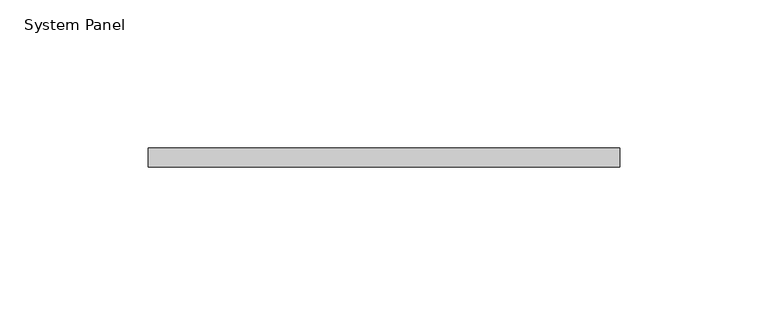
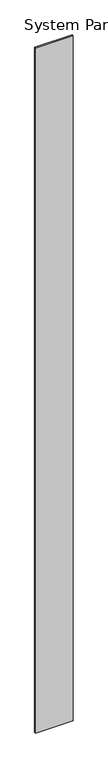
"""IFC4 building model written with IfcOpenShell, lengths in millimetres: plate geometry, System Panel."""

import ifcopenshell
import ifcopenshell.guid

model = None  # the IFC model being written
_history = None  # IfcOwnerHistory: only IFC2X3 demands one
_inside = {}  # id of a spatial element -> (the spatial element, [elements in it])
_under = {}  # id of a project, library or spatial element -> (it, [spatial elements below it])
_declared = {}  # id of a project -> (the project, [libraries it declares])
_typed = {}  # id of a type object -> (the type object, [elements of that type])
_made_of = {}  # id of a material, layer set ... -> (it, [elements and type objects made of it])


def new_model(schema):
    """Start an empty IFC model of exactly this schema.

    Asked for "IFC4X3", IfcOpenShell would pick the latest addendum, in which some entities
    have other attributes; the version numbers below select the first issue.
    IFC2X3 requires an IfcOwnerHistory on every rooted entity: one is made here for all.
    """
    global model, _history
    if schema == "IFC4X3":
        model = ifcopenshell.file(schema_version=(4, 3, 0, 0))
    else:
        model = ifcopenshell.file(schema=schema)
    _inside.clear()
    _under.clear()
    _declared.clear()
    _typed.clear()
    _made_of.clear()
    _history = None
    if model.schema == "IFC2X3":
        org = make("IfcOrganization", Name="unknown")
        user = make(
            "IfcPersonAndOrganization",
            ThePerson=make("IfcPerson", FamilyName="unknown"),
            TheOrganization=org,
        )
        app = make(
            "IfcApplication",
            ApplicationDeveloper=org,
            Version="unknown",
            ApplicationFullName="unknown",
            ApplicationIdentifier="unknown",
        )
        _history = make(
            "IfcOwnerHistory",
            OwningUser=user,
            OwningApplication=app,
            ChangeAction="ADDED",
            CreationDate=0,
        )
    return model


def make(cls, **values):
    """One entity of the class cls with the attributes given. An attribute that is None is left unset."""
    return model.create_entity(
        cls, **{name: value for name, value in values.items() if value is not None}
    )


def rooted(cls, **values):
    """An entity with a GlobalId (a new one), such as an element, a storey or a relation."""
    return make(cls, GlobalId=ifcopenshell.guid.new(), OwnerHistory=_history, **values)


def si_unit(unit_type, name, prefix=None):
    """IfcSIUnit, for example si_unit("LENGTHUNIT", "METRE", prefix="MILLI")."""
    return make("IfcSIUnit", UnitType=unit_type, Prefix=prefix, Name=name)


def assignment(units):
    """IfcUnitAssignment: the units of a project."""
    return None if units is None else make("IfcUnitAssignment", Units=units)


def point(xyz):
    """IfcCartesianPoint."""
    return None if xyz is None else make("IfcCartesianPoint", Coordinates=xyz)


def direction(xyz):
    """IfcDirection."""
    return None if xyz is None else make("IfcDirection", DirectionRatios=xyz)


def frame(location, z_axis=None, x_axis=None):
    """IfcAxis2Placement3D, a coordinate frame: its origin and axes. An axis left out is left unset."""
    return make(
        "IfcAxis2Placement3D",
        Location=point(location),
        Axis=direction(z_axis),
        RefDirection=direction(x_axis),
    )


def origin():
    """The frame at (0, 0, 0) with its axes left unset."""
    return frame((0.0, 0.0, 0.0))


def origin_with_axes():
    """The frame at (0, 0, 0) with the z axis (0, 0, 1) and the x axis (1, 0, 0) written out."""
    return frame((0.0, 0.0, 0.0), z_axis=(0.0, 0.0, 1.0), x_axis=(1.0, 0.0, 0.0))


def place(relative_to, where):
    """IfcLocalPlacement: puts the frame where relative to a parent placement (None: the world)."""
    return make(
        "IfcLocalPlacement", PlacementRelTo=relative_to, RelativePlacement=where
    )


def context(
    kind, dimensions, precision=None, world=None, true_north=None, identifier=None
):
    """IfcGeometricRepresentationContext, for example the 3D "Model" context."""
    return make(
        "IfcGeometricRepresentationContext",
        ContextIdentifier=identifier,
        ContextType=kind,
        CoordinateSpaceDimension=dimensions,
        Precision=precision,
        WorldCoordinateSystem=world,
        TrueNorth=true_north,
    )


def project(units=None, contexts=None):
    """IfcProject with its units and contexts."""
    return rooted(
        "IfcProject",
        Name="project",
        RepresentationContexts=contexts,
        UnitsInContext=assignment(units),
    )


def spatial(cls, under=None, at=None, **own):
    """A site, building, storey or space (cls), placed at a placement, below another one or the project."""
    s = rooted(cls, ObjectPlacement=at, **own)
    if under is not None:
        _under.setdefault(under.id(), (under, []))[1].append(s)
    return s


def polyline(points):
    """IfcPolyline through the points."""
    return make("IfcPolyline", Points=[point(p) for p in points])


def outline(outer, holes=None, kind="AREA"):
    """IfcArbitraryClosedProfileDef: a profile drawn as a closed curve; with holes, ...WithVoids."""
    if holes is None:
        return make("IfcArbitraryClosedProfileDef", ProfileType=kind, OuterCurve=outer)
    return make(
        "IfcArbitraryProfileDefWithVoids",
        ProfileType=kind,
        OuterCurve=outer,
        InnerCurves=holes,
    )


def extrude(swept, where, along, depth):
    """IfcExtrudedAreaSolid: the profile swept, set in the frame where, extruded along a direction by depth."""
    return make(
        "IfcExtrudedAreaSolid",
        SweptArea=swept,
        Position=where,
        ExtrudedDirection=direction(along),
        Depth=depth,
    )


def shape(context_of_items, identifier, shape_type, items):
    """IfcShapeRepresentation: the items that make up one representation, for example the "Body"."""
    return make(
        "IfcShapeRepresentation",
        ContextOfItems=context_of_items,
        RepresentationIdentifier=identifier,
        RepresentationType=shape_type,
        Items=items,
    )


def source(mapping_origin, context_of_items, identifier, shape_type, items):
    """IfcRepresentationMap: a shape defined once, which mapped items show again and again."""
    return make(
        "IfcRepresentationMap",
        MappingOrigin=mapping_origin,
        MappedRepresentation=shape(context_of_items, identifier, shape_type, items),
    )


def transform(
    local_origin,
    x_axis=None,
    y_axis=None,
    z_axis=None,
    scale=None,
    scale2=None,
    scale3=None,
    uniform=True,
):
    """IfcCartesianTransformationOperator3D, or its non-uniform kind. x_axis, y_axis, z_axis: its Axis1, 2, 3."""
    if uniform:
        return make(
            "IfcCartesianTransformationOperator3D",
            Axis1=direction(x_axis),
            Axis2=direction(y_axis),
            LocalOrigin=point(local_origin),
            Scale=scale,
            Axis3=direction(z_axis),
        )
    return make(
        "IfcCartesianTransformationOperator3DnonUniform",
        Axis1=direction(x_axis),
        Axis2=direction(y_axis),
        LocalOrigin=point(local_origin),
        Scale=scale,
        Axis3=direction(z_axis),
        Scale2=scale2,
        Scale3=scale3,
    )


def mapped(mapping_source, mapping_target):
    """IfcMappedItem: shows the shape of a source again, moved by a transform."""
    return make(
        "IfcMappedItem", MappingSource=mapping_source, MappingTarget=mapping_target
    )


def made_of(thing, what):
    """Note that an element or type object is made of a material, layer set ...; save() writes the relation."""
    if what is not None:
        _made_of.setdefault(what.id(), (what, []))[1].append(thing)
    return thing


def element(
    cls,
    number,
    at=None,
    inside=None,
    cuts=None,
    type_object=None,
    material=None,
    context=None,
    identifier="Body",
    shape_type=None,
    held_by="IfcProductDefinitionShape",
    body=None,
    shapes=None,
    **own,
):
    """One element of the class cls, such as IfcWall. Its Tag is "e" and its number.

    at: its placement. inside: the storey or other place that contains it. cuts: it is an
    opening in that element (IfcRelVoidsElement). A single representation is given by context,
    identifier, shape_type and body (its items); several are given by shapes. held_by: the class
    of the entity that holds the representations. save() writes the other relations.
    """
    e = rooted(cls, Tag="e%d" % number, ObjectPlacement=at, **own)
    if body is not None:
        shapes = [shape(context, identifier, shape_type, body)]
    if shapes is not None:
        e.Representation = make(held_by, Representations=shapes)
    if inside is not None:
        _inside.setdefault(inside.id(), (inside, []))[1].append(e)
    if cuts is not None:
        rooted(
            "IfcRelVoidsElement", RelatingBuildingElement=cuts, RelatedOpeningElement=e
        )
    if type_object is not None:
        _typed.setdefault(type_object.id(), (type_object, []))[1].append(e)
    return made_of(e, material)


def aggregate(whole, parts):
    """IfcRelAggregates: a whole, such as a stair, and the parts it consists of."""
    return rooted("IfcRelAggregates", RelatingObject=whole, RelatedObjects=parts)


def save(model, path):
    """Write the relations noted so far, then the file.

    IfcRelAggregates (storeys below a building ...), IfcRelContainedInSpatialStructure (elements
    in a storey), IfcRelDefinesByType, IfcRelAssociatesMaterial and IfcRelDeclares: one each for
    every whole, place, type object, material and project.
    """
    for whole, parts in _under.values():
        aggregate(whole, parts)
    for where, things in _inside.values():
        rooted(
            "IfcRelContainedInSpatialStructure",
            RelatedElements=things,
            RelatingStructure=where,
        )
    for kind, things in _typed.values():
        rooted("IfcRelDefinesByType", RelatedObjects=things, RelatingType=kind)
    for what, things in _made_of.values():
        rooted("IfcRelAssociatesMaterial", RelatedObjects=things, RelatingMaterial=what)
    for by, libraries in _declared.values():
        rooted("IfcRelDeclares", RelatingContext=by, RelatedDefinitions=libraries)
    model.write(path)


def system_panel_d74890af(model_context):
    return source(origin(), model_context, "Body", "SweptSolid", [
        extrude(outline(polyline([(79.375, -6.35), (-79.375, -6.35), (-79.375, 0.0), (79.375, 0.0), (79.375, -6.35)])), origin_with_axes(), (0.0, 0.0, 1.0), 3048.0),
    ])


if __name__ == "__main__":
    model = new_model("IFC4")
    model_context = context("Model", 3, world=origin())
    ifc_project = project(units=[si_unit("LENGTHUNIT", "METRE", prefix="MILLI")], contexts=[model_context])
    site = spatial("IfcSite", under=ifc_project)
    building = spatial("IfcBuilding", under=site)
    placement = place(None, origin())
    system_panel_shape = system_panel_d74890af(model_context)
    element("IfcPlate", 1, ObjectType="System Panel", at=placement, inside=building, context=model_context, shape_type="MappedRepresentation", body=[
        mapped(system_panel_shape, transform((0.0, 0.0, 0.0), x_axis=(1.0, 0.0, 0.0), y_axis=(0.0, 1.0, 0.0), z_axis=(0.0, 0.0, 1.0))),
    ])
    save(model, "model.ifc")
